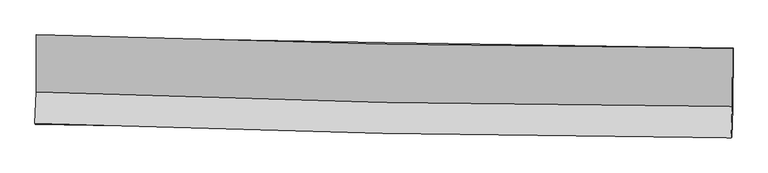
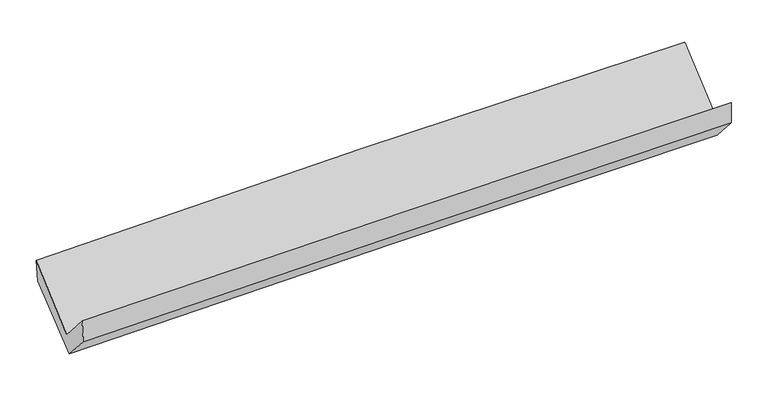
"""IFC4 building model written with IfcOpenShell, lengths in millimetres: proxy geometry."""

from ifc_helpers import new_model, si_unit, frame, origin, place, context, project, spatial, source, transform, mapped, element, save
from ifc_brep_helpers import plane_surface, spline_curve, spline_surface, advanced_brep


def generic_models_adc6391e(model_context):
    return source(origin(), model_context, "Body", "AdvancedBrep", [
        advanced_brep(
        [(-3013.1982361, -1158.6524889, 2173.0938185), (-3013.7190338, -1653.4357645, 1736.2963949), (3003.2764449, -1780.7147187, 1877.9508268), (3004.2514187, -1272.5423483, 2306.5776202), (-3026.0547762, -1926.2449162, 2042.7613431), (2990.9366106, -2053.8795412, 2184.2706511), (-3021.7757485, -1935.0434101, 1840.2001729), (2995.5099056, -2048.600047, 1981.4437453), (-3010.7824273, -1691.922363, 1567.085878), (3006.9548215, -1795.4918294, 1697.110187), (-3009.1342833, -1171.8935948, 1976.1679677), (3008.6029881, -1275.4558969, 2106.1979125)],
        [
            (0, 1),
            (1, 2, spline_curve(3, [(-3013.7190338, -1653.4357645, 1736.2963949), (-2011.742113655, -1692.862337927, 1781.598604436), (-1009.334885958, -1723.182211487, 1816.054250049), (996.330281796, -1765.608349443, 1863.272179822), (1999.588213691, -1777.714794238, 1876.034678358), (3003.2764449, -1780.7147187, 1877.9508268)], [4, 2, 4], [0.0, 9.876762734051523, 19.75342793958709])),
            (2, 3),
            (3, 0, spline_curve(3, [(3004.2514187, -1272.5423483, 2306.5776202), (2000.342173403, -1270.466897808, 2313.840623163), (996.935886104, -1259.938439562, 2306.348602235), (-1008.880675214, -1221.975320003, 2261.854292884), (-2011.290939889, -1194.540491826, 2224.85171325), (-3013.1982361, -1158.6524889, 2173.0938185)], [4, 2, 4], [0.0, 9.876665205535568, 19.75342793958709])),
            (1, 4),
            (4, 5, spline_curve(3, [(-3026.0547762, -1926.2449162, 2042.7613431), (-2023.978741212, -1963.435334531, 2085.642308828), (-1021.522297511, -1992.666775473, 2118.875244738), (984.141505556, -2035.211493271, 2166.044823372), (1987.348857277, -2048.524927188, 2179.981657041), (2990.9366106, -2053.8795412, 2184.2706511)], [4, 2, 4], [0.0, 9.87639848830357, 19.752699451687945])),
            (5, 2),
            (4, 6),
            (6, 7, spline_curve(3, [(-3021.7757485, -1935.0434101, 1840.2001729), (-2018.940786745, -1951.832990518, 1867.592583694), (-1016.080358781, -1969.690885916, 1893.059135329), (989.681526341, -2007.543119597, 1940.140288218), (1992.582983065, -2027.537436232, 1961.754927315), (2995.5099056, -2048.600047, 1981.4437453)], [4, 2, 4], [0.0, 9.875645759546737, 19.751194001607132])),
            (7, 5),
            (6, 8),
            (8, 9, spline_curve(3, [(-3010.7824273, -1691.922363, 1567.085878), (-2008.022732635, -1710.376496707, 1596.348193606), (-1005.162304367, -1728.234392097, 1621.814745439), (1000.750113584, -1762.757535652, 1665.156106972), (2003.802102178, -1779.422795927, 1683.030991387), (3006.9548215, -1795.4918294, 1697.110187)], [4, 2, 4], [0.0, 9.875455345828216, 19.75081317605034])),
            (9, 7),
            (8, 10),
            (10, 11, spline_curve(3, [(-3009.1342833, -1171.8935948, 1976.1679677), (-2006.374592387, -1190.348922489, 2005.429344022), (-1003.514164536, -1208.206817892, 2030.895895952), (1002.398261553, -1242.727573469, 2074.239135849), (2005.450257219, -1259.390445364, 2092.115899257), (3008.6029881, -1275.4558969, 2106.1979125)], [4, 2, 4], [0.0, 9.875515961473104, 19.75093440674156])),
            (11, 9),
            (10, 0),
            (3, 11),
        ],
        [
            spline_surface(3, 3, [[(-3013.1982361, -1158.6524889, 2173.0938185), (-2011.29093973, -1194.540491824, 2224.851713338), (-1008.88067532, -1221.975320016, 2261.85429299), (996.93588621, -1259.938439549, 2306.348602129), (2000.342173407, -1270.466897807, 2313.840623093), (3004.2514187, -1272.5423483, 2306.5776202)], [(-3013.371835322, -1323.580247453, 2027.494677286), (-2011.441331071, -1360.647773837, 2077.100677067), (-1009.032078905, -1389.044283817, 2113.254278696), (996.734018133, -1428.495076238, 2158.65646137), (2000.090853562, -1439.549529897, 2167.905308162), (3003.926427439, -1441.933138421, 2163.702022398)], [(-3013.545434578, -1488.508005947, 1881.895536114), (-2011.591722445, -1526.755055792, 1929.34964084), (-1009.183482524, -1556.113247566, 1964.654264357), (996.532150024, -1597.051712874, 2010.964320567), (1999.8395337, -1608.632162024, 2021.969993238), (3003.601436161, -1611.323928579, 2020.826424602)], [(-3013.7190338, -1653.4357645, 1736.2963949), (-2011.742113786, -1692.862337805, 1781.59860457), (-1009.334886109, -1723.182211367, 1816.054250063), (996.330281947, -1765.608349562, 1863.272179808), (1999.588213855, -1777.714794114, 1876.034678307), (3003.2764449, -1780.7147187, 1877.9508268)]], [4, 4], [4, 2, 4], [0.0, 2.2032393206269836], [0.0, 9.876762734051523, 19.75342793958709]),
            spline_surface(3, 3, [[(-3013.7190338, -1653.4357645, 1736.2963949), (-2011.742113786, -1692.862337805, 1781.59860457), (-1009.334886109, -1723.182211367, 1816.054250063), (996.330281947, -1765.608349562, 1863.272179808), (1999.588213855, -1777.714794114, 1876.034678307), (3003.2764449, -1780.7147187, 1877.9508268)], [(-3017.830947957, -1744.372148397, 1838.451377636), (-2015.820989669, -1783.053336659, 1882.946505996), (-1013.3973566, -1813.010399385, 1916.994581569), (992.267356478, -1855.476064124, 1964.196394333), (1995.508428346, -1867.984838501, 1977.350337881), (2999.163166798, -1871.769659563, 1980.057434923)], [(-3021.942862043, -1835.308532303, 1940.606360364), (-2019.899865482, -1873.244335523, 1984.294407413), (-1017.459827049, -1902.838587441, 2017.934913148), (988.204431053, -1945.343778724, 2065.120608931), (1991.428642844, -1958.254882798, 2078.665997386), (2995.049888702, -1962.824600337, 2082.164042977)], [(-3026.0547762, -1926.2449162, 2042.7613431), (-2023.978741366, -1963.435334377, 2085.642308839), (-1021.52229754, -1992.666775458, 2118.875244654), (984.141505585, -2035.211493286, 2166.044823456), (1987.348857335, -2048.524927185, 2179.98165696), (2990.9366106, -2053.8795412, 2184.2706511)]], [4, 4], [4, 2, 4], [0.0, 1.330615604957856], [0.0, 9.87639848830357, 19.752699451687945]),
            spline_surface(3, 3, [[(-3026.0547762, -1926.2449162, 2042.7613431), (-2023.978741366, -1963.435334377, 2085.642308839), (-1021.52229754, -1992.666775458, 2118.875244654), (984.141505585, -2035.211493286, 2166.044823456), (1987.348857335, -2048.524927185, 2179.98165696), (2990.9366106, -2053.8795412, 2184.2706511)], [(-3024.62843361, -1929.177747491, 1975.240953018), (-2022.299423148, -1959.567886468, 2012.959067123), (-1019.708317962, -1985.00814565, 2043.603208248), (985.988179184, -2025.988702007, 2090.743311705), (1989.093565932, -2041.529096907, 2107.23941372), (2992.461042264, -2052.119709798, 2116.66168248)], [(-3023.20209109, -1932.110578809, 1907.720562982), (-2020.620104999, -1955.700438585, 1940.275825451), (-1017.894338392, -1977.349515856, 1968.331171795), (987.834852776, -2016.765910742, 2015.441799908), (1990.838274538, -2034.533266635, 2034.497170539), (2993.985473936, -2050.359878402, 2049.05271392)], [(-3021.7757485, -1935.0434101, 1840.2001729), (-2018.940786781, -1951.832990676, 1867.592583735), (-1016.080358814, -1969.690886049, 1893.059135389), (989.681526375, -2007.543119463, 1940.140288158), (1992.582983136, -2027.537436357, 1961.754927299), (2995.5099056, -2048.600047, 1981.4437453)]], [4, 4], [4, 2, 4], [0.0, 0.7458716934310101], [0.0, 9.875645759546737, 19.751194001607132]),
            spline_surface(3, 3, [[(-3021.7757485, -1935.0434101, 1840.2001729), (-2018.940786781, -1951.832990676, 1867.592583735), (-1016.080358814, -1969.690886049, 1893.059135389), (989.681526375, -2007.543119463, 1940.140288158), (1992.582983136, -2027.537436357, 1961.754927299), (2995.5099056, -2048.600047, 1981.4437453)], [(-3018.111308107, -1854.003061081, 1749.162074614), (-2015.301435353, -1871.347492687, 1777.177787091), (-1012.441007387, -1889.20538806, 1802.644338745), (993.371055486, -1925.947924893, 1848.478894384), (1996.322689435, -1944.832556162, 1868.846948704), (2999.324877557, -1964.230641108, 1886.665892552)], [(-3014.446867693, -1772.962712019, 1658.123976286), (-2011.662083906, -1790.861994656, 1686.762990406), (-1008.801655939, -1808.719890029, 1712.22954216), (997.060584617, -1844.352730279, 1756.817500668), (2000.062395762, -1862.127676044, 1775.938970054), (3003.139849543, -1879.861235292, 1791.888039748)], [(-3010.7824273, -1691.922363, 1567.085878), (-2008.022732478, -1710.376496668, 1596.348193762), (-1005.162304511, -1728.23439204, 1621.814745516), (1000.750113728, -1762.757535709, 1665.156106894), (2003.802102061, -1779.422795849, 1683.03099146), (3006.9548215, -1795.4918294, 1697.110187)]], [4, 4], [4, 2, 4], [0.0, 1.2001780844167809], [0.0, 9.875455345828216, 19.75081317605034]),
            spline_surface(3, 3, [[(-3010.7824273, -1691.922363, 1567.085878), (-2008.022732478, -1710.376496668, 1596.348193762), (-1005.162304511, -1728.23439204, 1621.814745516), (1000.750113728, -1762.757535709, 1665.156106894), (2003.802102061, -1779.422795849, 1683.03099146), (3006.9548215, -1795.4918294, 1697.110187)], [(-3010.233045982, -1518.579440252, 1703.446574584), (-2007.473352422, -1537.033971935, 1732.708577246), (-1004.612924455, -1554.891867308, 1758.175129), (1001.299496307, -1589.414214949, 1801.517116575), (2004.351487163, -1606.07867907, 1819.392627332), (3007.504210386, -1622.146518593, 1833.472762157)], [(-3009.683664618, -1345.236517548, 1839.807271116), (-2006.923972318, -1363.691447247, 1869.068960678), (-1004.063544452, -1381.54934262, 1894.535512432), (1001.848878834, -1416.070894233, 1937.878126205), (2004.900872207, -1432.734562211, 1955.754263232), (3008.053599214, -1448.801207707, 1969.835337343)], [(-3009.1342833, -1171.8935948, 1976.1679677), (-2006.374592262, -1190.348922515, 2005.429344162), (-1003.514164396, -1208.206817888, 2030.895895916), (1002.398261413, -1242.727573473, 2074.239135886), (2005.450257309, -1259.390445432, 2092.115899104), (3008.6029881, -1275.4558969, 2106.1979125)]], [4, 4], [4, 2, 4], [0.0, 2.1707678896017653], [0.0, 9.875515961473104, 19.75093440674156]),
            spline_surface(3, 3, [[(-3009.1342833, -1171.8935948, 1976.1679677), (-2006.374592262, -1190.348922515, 2005.429344162), (-1003.514164396, -1208.206817888, 2030.895895916), (1002.398261413, -1242.727573473, 2074.239135886), (2005.450257309, -1259.390445432, 2092.115899104), (3008.6029881, -1275.4558969, 2106.1979125)], [(-3010.488934222, -1167.479892826, 2041.809917962), (-2008.01337474, -1191.746112277, 2078.570133883), (-1005.30300138, -1212.796318597, 2107.88202827), (1000.577469668, -1248.464528832, 2151.608957963), (2003.747562664, -1263.082596207, 2166.024140424), (3007.152464956, -1274.484714017, 2172.99114839)], [(-3011.843585178, -1163.066190874, 2107.451868238), (-2009.652157252, -1193.143302062, 2151.710923617), (-1007.091838335, -1217.385819306, 2184.868160635), (998.756677954, -1254.20148419, 2228.978780051), (2002.044868051, -1266.774747032, 2239.932381773), (3005.701941844, -1273.513531183, 2239.78438431)], [(-3013.1982361, -1158.6524889, 2173.0938185), (-2011.29093973, -1194.540491824, 2224.851713338), (-1008.88067532, -1221.975320016, 2261.85429299), (996.93588621, -1259.938439549, 2306.348602129), (2000.342173407, -1270.466897807, 2313.840623093), (3004.2514187, -1272.5423483, 2306.5776202)]], [4, 4], [4, 2, 4], [0.0, 0.7615309622663173], [0.0, 9.876016362027006, 19.75193520290814]),
            plane_surface(frame((3001.5886982, -1704.4473969, 2025.5918238), z_axis=(0.9995481266209374, -0.02047784495299011, 0.022004554861571872), x_axis=(0.002490960207471244, 0.7859574197322015, 0.6182756096476272))),
            plane_surface(frame((-3015.7774175, -1589.5320896, 1889.2675959), z_axis=(-0.999548126620934, 0.020477844953059862, -0.0220045548616613), x_axis=(0.020586112784952402, -0.06707334352784937, -0.9975356527705665))),
        ],
        [
            (0, [[1, 2, 3, 4]]),
            (1, [[5, 6, 7, -2]]),
            (2, [[8, 9, 10, -6]]),
            (3, [[11, 12, 13, -9]]),
            (4, [[14, 15, 16, -12]]),
            (5, [[17, -4, 18, -15]]),
            (6, [[-16, -18, -3, -7, -10, -13]]),
            (7, [[-17, -14, -11, -8, -5, -1]]),
        ],
    ),
    ])


if __name__ == "__main__":
    model = new_model("IFC4")
    model_context = context("Model", 3, world=origin())
    ifc_project = project(units=[si_unit("LENGTHUNIT", "METRE", prefix="MILLI")], contexts=[model_context])
    site = spatial("IfcSite", under=ifc_project)
    building = spatial("IfcBuilding", under=site)
    placement = place(None, origin())
    generic_models_shape = generic_models_adc6391e(model_context)
    element("IfcBuildingElementProxy", 1, Name="Generic Models", at=placement, inside=building, context=model_context, shape_type="MappedRepresentation", body=[
        mapped(generic_models_shape, transform((0.0, 0.0, 0.0), x_axis=(1.0, 0.0, 0.0), y_axis=(0.0, 1.0, 0.0), z_axis=(0.0, 0.0, 1.0))),
    ])
    save(model, "model.ifc")
